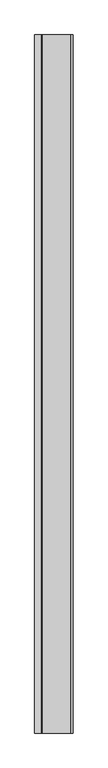
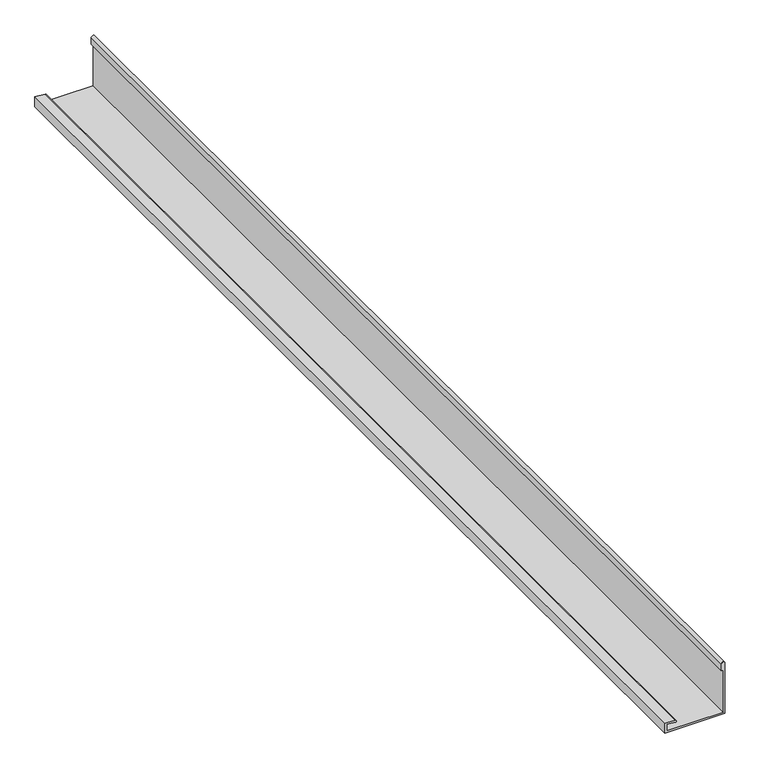
"""IFC4 building model written with IfcOpenShell, lengths in millimetres: proxy geometry."""

from ifc_helpers import new_model, si_unit, point, frame, frame_2d, origin, place, context, project, spatial, polyline, circle_curve, trimmed, segment, composite_curve, outline, extrude, source, transform, mapped, element, save


def generic_models_23a4528a(model_context):
    return source(origin(), model_context, "Body", "SweptSolid", [
        extrude(outline(composite_curve([segment(polyline([(3799.2452806, -11754.1372223), (3799.2452806, -11584.1372223), (3949.6655464, -11584.1372223)]), True, "CONTINUOUS"), segment(trimmed(circle_curve(frame_2d((3949.6655464, -11589.1372223)), 5.0), [point((3949.6655464, -11584.1372223))], [point((3949.6655464, -11594.1372223))], False, "CARTESIAN"), True, "CONTINUOUS"), segment(polyline([(3949.6655464, -11594.1372223), (3929.6655464, -11594.1372223), (3929.6655464, -11589.1372223), (3804.2452806, -11589.1372223), (3804.2452806, -11749.1372223), (3823.7887381, -11749.1372223), (3821.6496348, -11724.6871601)]), True, "CONTINUOUS"), segment(trimmed(circle_curve(frame_2d((3824.1401216, -11724.4692707)), 2.5), [point((3821.6496348, -11724.6871601))], [point((3826.6306083, -11724.2513814))], False, "CARTESIAN"), True, "CONTINUOUS"), segment(polyline([(3826.6306083, -11724.2513814), (3829.2452806, -11754.1372223), (3799.2452806, -11754.1372223)]), True, "CONTINUOUS")], self_intersect=False)), frame((0.0, -1297.2639474, 0.0), z_axis=(0.0, 1.0, 0.0), x_axis=(0.0, 0.0, 1.0)), (0.0, 0.0, 1.0), 3090.0),
    ])


if __name__ == "__main__":
    model = new_model("IFC4")
    model_context = context("Model", 3, world=origin())
    ifc_project = project(units=[si_unit("LENGTHUNIT", "METRE", prefix="MILLI")], contexts=[model_context])
    site = spatial("IfcSite", under=ifc_project)
    building = spatial("IfcBuilding", under=site)
    placement = place(None, origin())
    generic_models_shape = generic_models_23a4528a(model_context)
    element("IfcBuildingElementProxy", 1, Name="Generic Models", at=placement, inside=building, context=model_context, shape_type="MappedRepresentation", body=[
        mapped(generic_models_shape, transform((0.0, 0.0, 0.0), x_axis=(1.0, 0.0, 0.0), y_axis=(0.0, 1.0, 0.0), z_axis=(0.0, 0.0, 1.0))),
    ])
    save(model, "model.ifc")
